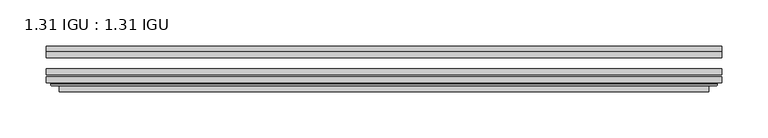
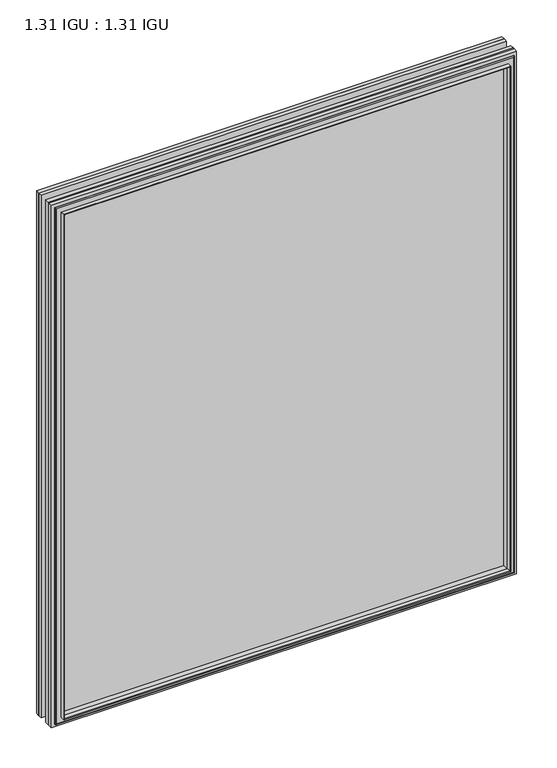
"""IFC4 building model written with IfcOpenShell, lengths in millimetres: plate geometry, 1.31 IGU : 1.31 IGU."""

from ifc_helpers import new_model, si_unit, frame, origin, place, context, project, spatial, polyline, ellipse_curve, outline, extrude, faceted_brep, source, transform, mapped, element, save
from ifc_brep_helpers import plane_surface, cylinder_surface, advanced_brep


def plate_1_31_igu_1_31_igu_9b90c889(model_context):
    return source(origin(), model_context, "Body", "SolidModel", [
        extrude(outline(polyline([(366.7108, -66.4725937), (366.7108, -72.8225938), (-366.696625, -72.8225938), (-366.696625, -66.4725937), (366.7108, -66.4725937)])), frame((0.0, 0.0, -14.2875), z_axis=(0.0, 0.0, 1.0), x_axis=(1.0, 0.0, 0.0)), (0.0, 0.0, 1.0), 869.9537979),
        extrude(outline(polyline([(-366.696625, -81.4585938), (-366.696625, -75.1080887), (366.7108, -75.1080887), (366.7108, -81.4585938), (-366.696625, -81.4585938)])), frame((0.0, 0.0, -14.2875), z_axis=(0.0, 0.0, 1.0), x_axis=(1.0, 0.0, 0.0)), (0.0, 0.0, 1.0), 869.9537979),
        extrude(outline(polyline([(366.7108, -48.1337937), (366.7108, -54.4837938), (-366.696625, -54.4837938), (-366.696625, -48.1337937), (366.7108, -48.1337937)])), frame((0.0, 0.0, -14.2875), z_axis=(0.0, 0.0, 1.0), x_axis=(1.0, 0.0, 0.0)), (0.0, 0.0, 1.0), 869.9537979),
        faceted_brep([(-352.4038152, -41.7837938, 841.3696902), (-351.5113809, -48.1337937, 840.4772559), (-351.5113809, -48.1337937, 0.8977441), (-352.4038152, -41.7837938, 0.0053098), (-366.709325, -48.1337937, 855.6752), (-366.709325, -41.7837938, 855.6752), (-366.709325, -41.7837938, -14.3002), (-366.709325, -48.1337937, -14.3002), (351.5113809, -48.1337937, 0.8977441), (352.4038152, -41.7837938, 0.0053098), (366.709325, -41.7837938, -14.3002), (366.709325, -48.1337937, -14.3002), (351.5113809, -48.1337937, 840.4772559), (352.4038152, -41.7837938, 841.3696902), (366.709325, -41.7837938, 855.6752), (366.709325, -48.1337937, 855.6752)], [[[0, 1, 2, 3]], [[4, 5, 6, 7]], [[3, 2, 8, 9]], [[7, 6, 10, 11]], [[9, 8, 12, 13]], [[11, 10, 14, 15]], [[7, 11, 15, 4], [1, 12, 8, 2]], [[13, 12, 1, 0]], [[5, 14, 10, 6], [3, 9, 13, 0]], [[15, 14, 5, 4]]]),
        advanced_brep(
        [(-360.8077599, -84.6335938, 849.7736349), (-361.8095494, -83.4482604, 850.7754244), (-361.8095494, -83.4482604, -9.4004244), (-360.8077599, -84.6335938, -8.3986349), (-352.4037034, -91.0948368, 841.3695784), (-352.4037034, -84.6335938, 841.3695784), (-352.4037034, -84.6335938, 0.0054216), (-352.4037034, -91.0948368, 0.0054216), (-351.4130467, -90.6958619, 840.3789217), (-351.4130467, -90.6958619, 0.9960783), (-350.3810189, -85.2986307, 839.3468939), (-350.3810189, -85.2986307, 2.0281061), (-345.4461871, -81.4585938, 834.4120621), (-345.4461871, -81.4585938, 6.9629379), (-359.455344, -81.4585938, 848.421219), (-359.455344, -81.4585938, -7.046219), (361.8095494, -83.4482604, -9.4004244), (360.8077599, -84.6335938, -8.3986349), (352.4037034, -84.6335938, 0.0054216), (352.4037034, -91.0948368, 0.0054216), (351.4130467, -90.6958619, 0.9960783), (350.3810189, -85.2986307, 2.0281061), (345.4461871, -81.4585938, 6.9629379), (359.455344, -81.4585938, -7.046219), (361.8095494, -83.4482604, 850.7754244), (360.8077599, -84.6335938, 849.7736349), (352.4037034, -84.6335938, 841.3695784), (352.4037034, -91.0948368, 841.3695784), (351.4130467, -90.6958619, 840.3789217), (350.3810189, -85.2986307, 839.3468939), (345.4461871, -81.4585938, 834.4120621), (359.455344, -81.4585938, 848.421219)],
        [
            (0, 1, ellipse_curve(frame((-360.8077599, -83.6175938, 849.7736349), z_axis=(-0.7071067811865475, 0.0, -0.7071067811865475), x_axis=(-0.7071067811865474, 0.0, 0.7071067811865476)), 1.436841, 1.016)),
            (1, 2),
            (2, 3, ellipse_curve(frame((-360.8077599, -83.6175938, -8.3986349), z_axis=(-0.7071067811865475, 0.0, 0.7071067811865475), x_axis=(0.7071067811865474, 0.0, 0.7071067811865476)), 1.436841, 1.016)),
            (3, 0),
            (4, 5),
            (5, 6),
            (6, 7),
            (7, 4),
            (8, 4, ellipse_curve(frame((-352.0367469, -90.5766015, 841.0026219), z_axis=(-0.7071067811865475, 0.0, -0.7071067811865475), x_axis=(-0.7071067811865474, 0.0, 0.7071067811865476)), 0.8980256, 0.635)),
            (7, 9, ellipse_curve(frame((-352.0367469, -90.5766015, 0.3723781), z_axis=(-0.7071067811865475, 0.0, 0.7071067811865475), x_axis=(0.7071067811865474, 0.0, 0.7071067811865476)), 0.8980256, 0.635)),
            (9, 8),
            (10, 8),
            (9, 11),
            (11, 10),
            (12, 10),
            (11, 13),
            (13, 12),
            (1, 14, ellipse_curve(frame((-359.455344, -83.8461938, 848.421219), z_axis=(-0.7071067811865475, 0.0, -0.7071067811865475), x_axis=(-0.7071067811865474, 0.0, 0.7071067811865476)), 3.3765763, 2.3876)),
            (14, 15),
            (15, 2, ellipse_curve(frame((-359.455344, -83.8461938, -7.046219), z_axis=(-0.7071067811865475, 0.0, 0.7071067811865475), x_axis=(0.7071067811865474, 0.0, 0.7071067811865476)), 3.3765763, 2.3876)),
            (2, 16),
            (16, 17, ellipse_curve(frame((360.8077599, -83.6175938, -8.3986349), z_axis=(-0.7071067811865475, 0.0, -0.7071067811865475), x_axis=(-0.7071067811865476, 0.0, 0.7071067811865474)), 1.436841, 1.016)),
            (17, 3),
            (6, 18),
            (18, 19),
            (19, 7),
            (19, 20, ellipse_curve(frame((352.0367469, -90.5766015, 0.3723781), z_axis=(-0.7071067811865475, 0.0, -0.7071067811865475), x_axis=(-0.7071067811865476, 0.0, 0.7071067811865474)), 0.8980256, 0.635)),
            (20, 9),
            (20, 21),
            (21, 11),
            (21, 22),
            (22, 13),
            (15, 23),
            (23, 16, ellipse_curve(frame((359.455344, -83.8461938, -7.046219), z_axis=(-0.7071067811865475, 0.0, -0.7071067811865475), x_axis=(-0.7071067811865476, 0.0, 0.7071067811865474)), 3.3765763, 2.3876)),
            (16, 24),
            (24, 25, ellipse_curve(frame((360.8077599, -83.6175938, 849.7736349), z_axis=(0.7071067811865475, 0.0, -0.7071067811865475), x_axis=(-0.7071067811865474, 0.0, -0.7071067811865476)), 1.436841, 1.016)),
            (25, 17),
            (18, 26),
            (26, 27),
            (27, 19),
            (27, 28, ellipse_curve(frame((352.0367469, -90.5766015, 841.0026219), z_axis=(0.7071067811865475, 0.0, -0.7071067811865475), x_axis=(-0.7071067811865474, 0.0, -0.7071067811865476)), 0.8980256, 0.635)),
            (28, 20),
            (28, 29),
            (29, 21),
            (29, 30),
            (30, 22),
            (23, 31),
            (31, 24, ellipse_curve(frame((359.455344, -83.8461938, 848.421219), z_axis=(0.7071067811865475, 0.0, -0.7071067811865475), x_axis=(-0.7071067811865474, 0.0, -0.7071067811865476)), 3.3765763, 2.3876)),
            (24, 1),
            (0, 25),
            (5, 26),
            (4, 27),
            (8, 28),
            (10, 29),
            (12, 30),
            (14, 31),
        ],
        [
            cylinder_surface(frame((-360.8077599, -83.6175938, 873.125), z_axis=(0.0, 0.0, 1.0), x_axis=(-1.0, 0.0, 0.0)), 1.016),
            plane_surface(frame((-352.4037034, -84.6335938, 841.3695784), z_axis=(-1.0, 0.0, 0.0), x_axis=(0.0, 0.0, -1.0))),
            cylinder_surface(frame((-352.0367469, -90.5766015, 873.125), z_axis=(0.0, 0.0, 1.0), x_axis=(-1.0, 0.0, 0.0)), 0.635),
            plane_surface(frame((-351.4130467, -90.6958619, 840.3789217), z_axis=(0.9822050625507717, -0.1878116479338675, 0.0), x_axis=(0.0, 0.0, -1.0))),
            plane_surface(frame((-350.3810189, -85.2986307, 839.3468939), z_axis=(0.6141233906514726, -0.7892100234124875, 0.0), x_axis=(0.0, 0.0, -1.0))),
            cylinder_surface(frame((-359.455344, -83.8461938, 873.125), z_axis=(0.0, 0.0, 1.0), x_axis=(-1.0, 0.0, 0.0)), 2.3876),
            cylinder_surface(frame((-384.159125, -83.6175938, -8.3986349), z_axis=(-1.0, 0.0, 0.0), x_axis=(0.0, 0.0, -1.0)), 1.016),
            plane_surface(frame((-352.4037034, -84.6335938, 0.0054216), z_axis=(0.0, 0.0, -1.0), x_axis=(1.0, 0.0, 0.0))),
            cylinder_surface(frame((-384.159125, -90.5766015, 0.3723781), z_axis=(-1.0, 0.0, 0.0), x_axis=(0.0, 0.0, -1.0)), 0.635),
            plane_surface(frame((-351.4130467, -90.6958619, 0.9960783), z_axis=(0.0, -0.18781164793386435, 0.9822050625507722), x_axis=(1.0, 0.0, 0.0))),
            plane_surface(frame((-350.3810189, -85.2986307, 2.0281061), z_axis=(0.0, -0.7892100234124855, 0.6141233906514751), x_axis=(1.0, 0.0, 0.0))),
            cylinder_surface(frame((-384.159125, -83.8461938, -7.046219), z_axis=(-1.0, 0.0, 0.0), x_axis=(0.0, 0.0, -1.0)), 2.3876),
            cylinder_surface(frame((360.8077599, -83.6175938, -31.75), z_axis=(0.0, 0.0, -1.0), x_axis=(1.0, 0.0, 0.0)), 1.016),
            plane_surface(frame((352.4037034, -84.6335938, 0.0054216), z_axis=(1.0, 0.0, 0.0), x_axis=(0.0, 0.0, 1.0))),
            cylinder_surface(frame((352.0367469, -90.5766015, -31.75), z_axis=(0.0, 0.0, -1.0), x_axis=(1.0, 0.0, 0.0)), 0.635),
            plane_surface(frame((351.4130467, -90.6958619, 0.9960783), z_axis=(-0.9822050625507728, -0.18781164793386118, 0.0), x_axis=(0.0, 0.0, 1.0))),
            plane_surface(frame((350.3810189, -85.2986307, 2.0281061), z_axis=(-0.6141233906514777, -0.7892100234124835, 0.0), x_axis=(0.0, 0.0, 1.0))),
            cylinder_surface(frame((359.455344, -83.8461938, -31.75), z_axis=(0.0, 0.0, -1.0), x_axis=(1.0, 0.0, 0.0)), 2.3876),
            cylinder_surface(frame((384.159125, -83.6175938, 849.7736349), z_axis=(1.0, 0.0, 0.0), x_axis=(0.0, 0.0, 1.0)), 1.016),
            plane_surface(frame((360.8077599, -84.6335938, 849.7736349), z_axis=(0.0, -1.0, 0.0), x_axis=(-1.0, 0.0, 0.0))),
            plane_surface(frame((352.4037034, -84.6335938, 841.3695784), z_axis=(0.0, 0.0, 1.0), x_axis=(-1.0, 0.0, 0.0))),
            cylinder_surface(frame((384.159125, -90.5766015, 841.0026219), z_axis=(1.0, 0.0, 0.0), x_axis=(0.0, 0.0, 1.0)), 0.635),
            plane_surface(frame((351.4130467, -90.6958619, 840.3789217), z_axis=(0.0, -0.18781164793386435, -0.9822050625507722), x_axis=(-1.0, 0.0, 0.0))),
            plane_surface(frame((350.3810189, -85.2986307, 839.3468939), z_axis=(0.0, -0.7892100234124855, -0.6141233906514751), x_axis=(-1.0, 0.0, 0.0))),
            plane_surface(frame((345.4461871, -81.4585938, 834.4120621), z_axis=(0.0, 1.0, 0.0), x_axis=(-1.0, 0.0, 0.0))),
            cylinder_surface(frame((384.159125, -83.8461938, 848.421219), z_axis=(1.0, 0.0, 0.0), x_axis=(0.0, 0.0, 1.0)), 2.3876),
        ],
        [
            (0, [[1, 2, 3, 4]]),
            (1, [[5, 6, 7, 8]]),
            (2, [[9, -8, 10, 11]]),
            (3, [[12, -11, 13, 14]]),
            (4, [[15, -14, 16, 17]]),
            (5, [[18, 19, 20, -2]]),
            (6, [[-3, 21, 22, 23]]),
            (7, [[-7, 24, 25, 26]]),
            (8, [[-10, -26, 27, 28]]),
            (9, [[-13, -28, 29, 30]]),
            (10, [[-16, -30, 31, 32]]),
            (11, [[-20, 33, 34, -21]]),
            (12, [[-22, 35, 36, 37]]),
            (13, [[-25, 38, 39, 40]]),
            (14, [[-27, -40, 41, 42]]),
            (15, [[-29, -42, 43, 44]]),
            (16, [[-31, -44, 45, 46]]),
            (17, [[-34, 47, 48, -35]]),
            (18, [[-36, 49, -1, 50]]),
            (19, [[-23, -37, -50, -4], [51, -38, -24, -6]]),
            (20, [[-39, -51, -5, 52]]),
            (21, [[-41, -52, -9, 53]]),
            (22, [[-43, -53, -12, 54]]),
            (23, [[-45, -54, -15, 55]]),
            (24, [[56, -47, -33, -19], [-32, -46, -55, -17]]),
            (25, [[-48, -56, -18, -49]]),
        ],
    ),
    ])


if __name__ == "__main__":
    model = new_model("IFC4")
    model_context = context("Model", 3, world=origin())
    ifc_project = project(units=[si_unit("LENGTHUNIT", "METRE", prefix="MILLI")], contexts=[model_context])
    site = spatial("IfcSite", under=ifc_project)
    building = spatial("IfcBuilding", under=site)
    placement = place(None, origin())
    plate_1_31_igu_1_31_igu_shape = plate_1_31_igu_1_31_igu_9b90c889(model_context)
    element("IfcPlate", 1, ObjectType="1.31 IGU : 1.31 IGU", at=placement, inside=building, context=model_context, shape_type="MappedRepresentation", body=[
        mapped(plate_1_31_igu_1_31_igu_shape, transform((0.0, 0.0, 0.0), x_axis=(1.0, 0.0, 0.0), y_axis=(0.0, 1.0, 0.0), z_axis=(0.0, 0.0, 1.0))),
    ])
    save(model, "model.ifc")
